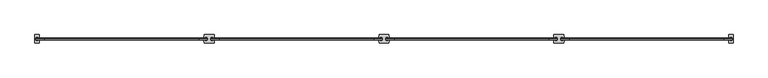
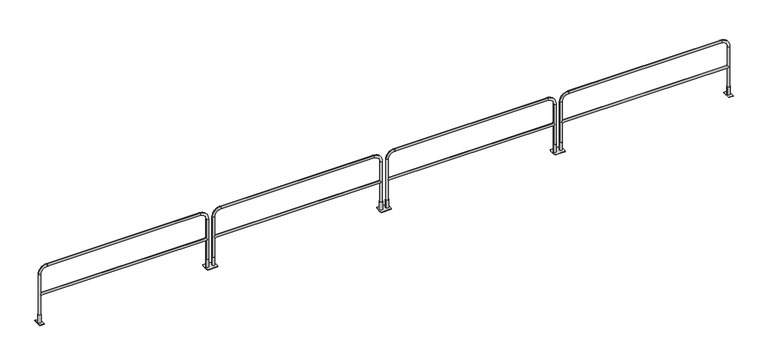
"""IFC4 building model written with IfcOpenShell, lengths in millimetres: railing geometry."""

from ifc_helpers import new_model, si_unit, point, frame, frame_2d, origin, origin_with_axes, place, context, project, spatial, polyline, circle_curve, ellipse_curve, trimmed, segment, composite_curve, outline, extrude, source, transform, mapped, element, save
from ifc_brep_helpers import plane_surface, cylinder_surface, revolved_surface, advanced_brep


def railing_b0f9423a(model_context):
    return source(origin(), model_context, "Body", "SolidModel", [
        extrude(outline(composite_curve([segment(trimmed(circle_curve(frame_2d((67475.572395, 9345.0551937)), 304.8), [point((67770.693726, 9421.2551937))], [point((67770.693726, 9268.8551937))], False, "CARTESIAN"), True, "CONTINUOUS"), segment(polyline([(67770.693726, 9268.8551937), (67592.893726, 9268.8551937)]), True, "CONTINUOUS"), segment(trimmed(circle_curve(frame_2d((67888.015057, 9345.0551937)), 304.8), [point((67592.893726, 9268.8551937))], [point((67592.893726, 9421.2551937))], False, "CARTESIAN"), True, "CONTINUOUS"), segment(polyline([(67592.893726, 9421.2551937), (67770.693726, 9421.2551937)]), True, "CONTINUOUS")], self_intersect=False)), origin_with_axes(), (0.0, 0.0, 1.0), 6.35),
        extrude(outline(composite_curve([segment(trimmed(circle_curve(frame_2d((67735.6752627, 9345.0551937)), 26.9875), [point((67708.6877627, 9345.0551937))], [point((67762.6627627, 9345.0551937))], False, "CARTESIAN"), True, "CONTINUOUS"), segment(trimmed(circle_curve(frame_2d((67735.6752627, 9345.0551937)), 26.9875), [point((67762.6627627, 9345.0551937))], [point((67708.6877627, 9345.0551937))], False, "CARTESIAN"), True, "CONTINUOUS")], self_intersect=False), holes=[composite_curve([segment(trimmed(circle_curve(frame_2d((67735.6752627, 9345.0551937)), 20.6375), [point((67715.0377627, 9345.0551937))], [point((67756.3127627, 9345.0551937))], True, "CARTESIAN"), True, "CONTINUOUS"), segment(trimmed(circle_curve(frame_2d((67735.6752627, 9345.0551937)), 20.6375), [point((67756.3127627, 9345.0551937))], [point((67715.0377627, 9345.0551937))], True, "CARTESIAN"), True, "CONTINUOUS")], self_intersect=False)]), frame((0.0, 0.0, 6.35), z_axis=(0.0, 0.0, 1.0), x_axis=(1.0, 0.0, 0.0)), (0.0, 0.0, 1.0), 146.05),
        extrude(outline(composite_curve([segment(trimmed(circle_curve(frame_2d((67627.9121893, 9345.0551937)), 26.9875), [point((67600.9246893, 9345.0551937))], [point((67654.8996893, 9345.0551937))], False, "CARTESIAN"), True, "CONTINUOUS"), segment(trimmed(circle_curve(frame_2d((67627.9121893, 9345.0551937)), 26.9875), [point((67654.8996893, 9345.0551937))], [point((67600.9246893, 9345.0551937))], False, "CARTESIAN"), True, "CONTINUOUS")], self_intersect=False), holes=[composite_curve([segment(trimmed(circle_curve(frame_2d((67627.9121893, 9345.0551937)), 20.6375), [point((67607.2746893, 9345.0551937))], [point((67648.5496893, 9345.0551937))], True, "CARTESIAN"), True, "CONTINUOUS"), segment(trimmed(circle_curve(frame_2d((67627.9121893, 9345.0551937)), 20.6375), [point((67648.5496893, 9345.0551937))], [point((67607.2746893, 9345.0551937))], True, "CARTESIAN"), True, "CONTINUOUS")], self_intersect=False)]), frame((0.0, 0.0, 6.35), z_axis=(0.0, 0.0, 1.0), x_axis=(1.0, 0.0, 0.0)), (0.0, 0.0, 1.0), 146.05),
        extrude(outline(composite_curve([segment(polyline([(70707.3817994, 9421.2551937), (70885.1817994, 9421.2551937)]), True, "CONTINUOUS"), segment(trimmed(circle_curve(frame_2d((70590.0604685, 9345.0551937)), 304.8), [point((70885.1817994, 9421.2551937))], [point((70885.1817994, 9268.8551937))], False, "CARTESIAN"), True, "CONTINUOUS"), segment(polyline([(70885.1817994, 9268.8551937), (70707.3817994, 9268.8551937)]), True, "CONTINUOUS"), segment(trimmed(circle_curve(frame_2d((71002.5031304, 9345.0551937)), 304.8), [point((70707.3817994, 9268.8551937))], [point((70707.3817994, 9421.2551937))], False, "CARTESIAN"), True, "CONTINUOUS")], self_intersect=False)), origin_with_axes(), (0.0, 0.0, 1.0), 6.35),
        extrude(outline(composite_curve([segment(trimmed(circle_curve(frame_2d((70742.4002627, 9345.0551937)), 26.9875), [point((70769.3877627, 9345.0551937))], [point((70715.4127627, 9345.0551937))], False, "CARTESIAN"), True, "CONTINUOUS"), segment(trimmed(circle_curve(frame_2d((70742.4002627, 9345.0551937)), 26.9875), [point((70715.4127627, 9345.0551937))], [point((70769.3877627, 9345.0551937))], False, "CARTESIAN"), True, "CONTINUOUS")], self_intersect=False), holes=[composite_curve([segment(trimmed(circle_curve(frame_2d((70742.4002627, 9345.0551937)), 20.6375), [point((70763.0377627, 9345.0551937))], [point((70721.7627627, 9345.0551937))], True, "CARTESIAN"), True, "CONTINUOUS"), segment(trimmed(circle_curve(frame_2d((70742.4002627, 9345.0551937)), 20.6375), [point((70721.7627627, 9345.0551937))], [point((70763.0377627, 9345.0551937))], True, "CARTESIAN"), True, "CONTINUOUS")], self_intersect=False)]), frame((0.0, 0.0, 6.35), z_axis=(0.0, 0.0, 1.0), x_axis=(1.0, 0.0, 0.0)), (0.0, 0.0, 1.0), 146.05),
        extrude(outline(composite_curve([segment(trimmed(circle_curve(frame_2d((70850.1633362, 9345.0551937)), 26.9875), [point((70877.1508362, 9345.0551937))], [point((70823.1758362, 9345.0551937))], False, "CARTESIAN"), True, "CONTINUOUS"), segment(trimmed(circle_curve(frame_2d((70850.1633362, 9345.0551937)), 26.9875), [point((70823.1758362, 9345.0551937))], [point((70877.1508362, 9345.0551937))], False, "CARTESIAN"), True, "CONTINUOUS")], self_intersect=False), holes=[composite_curve([segment(trimmed(circle_curve(frame_2d((70850.1633362, 9345.0551937)), 20.6375), [point((70870.8008362, 9345.0551937))], [point((70829.5258362, 9345.0551937))], True, "CARTESIAN"), True, "CONTINUOUS"), segment(trimmed(circle_curve(frame_2d((70850.1633362, 9345.0551937)), 20.6375), [point((70829.5258362, 9345.0551937))], [point((70870.8008362, 9345.0551937))], True, "CARTESIAN"), True, "CONTINUOUS")], self_intersect=False)]), frame((0.0, 0.0, 6.35), z_axis=(0.0, 0.0, 1.0), x_axis=(1.0, 0.0, 0.0)), (0.0, 0.0, 1.0), 146.05),
        advanced_brep(
        [(67756.3127627, 9345.0551937, 554.0375), (67735.6752627, 9324.4176937, 533.4), (67756.3127627, 9345.0551937, 512.7625), (70721.7627627, 9345.0551937, 512.7625), (70742.4002627, 9324.4176937, 533.4), (70721.7627627, 9345.0551937, 554.0375), (70742.4002627, 9365.6926937, 533.4), (67735.6752627, 9365.6926937, 533.4), (67715.0377627, 9345.0551937, 6.35), (67756.3127627, 9345.0551937, 6.35), (67756.3127627, 9345.0551937, 914.4), (67715.0377627, 9345.0551937, 914.4), (67867.4377627, 9345.0551937, 1025.525), (67867.4377627, 9345.0551937, 1066.8), (70610.6377627, 9345.0551937, 1025.525), (70610.6377627, 9345.0551937, 1066.8), (70721.7627627, 9345.0551937, 914.4), (70763.0377627, 9345.0551937, 914.4), (70763.0377627, 9345.0551937, 6.35), (70721.7627627, 9345.0551937, 6.35)],
        [
            (0, 1, ellipse_curve(frame((67735.6752627, 9345.0551937, 533.4), z_axis=(0.7071067811865475, 0.0, -0.7071067811865475), x_axis=(-0.7071067811865476, 0.0, -0.7071067811865474)), 29.1858324, 20.6375)),
            (1, 2, ellipse_curve(frame((67735.6752627, 9345.0551937, 533.4), z_axis=(0.7071067811865475, 0.0, 0.7071067811865475), x_axis=(-0.7071067811865476, 0.0, 0.7071067811865474)), 29.1858324, 20.6375)),
            (2, 3),
            (3, 4, ellipse_curve(frame((70742.4002627, 9345.0551937, 533.4), z_axis=(-0.7071067811865475, 0.0, 0.7071067811865475), x_axis=(-0.7071067811865476, 0.0, -0.7071067811865474)), 29.1858324, 20.6375)),
            (4, 5, ellipse_curve(frame((70742.4002627, 9345.0551937, 533.4), z_axis=(-0.7071067811865475, 0.0, -0.7071067811865475), x_axis=(-0.7071067811865476, 0.0, 0.7071067811865474)), 29.1858324, 20.6375)),
            (5, 0),
            (5, 6, ellipse_curve(frame((70742.4002627, 9345.0551937, 533.4), z_axis=(-0.7071067811865475, 0.0, -0.7071067811865475), x_axis=(-0.7071067811865476, 0.0, 0.7071067811865474)), 29.1858324, 20.6375)),
            (6, 3, ellipse_curve(frame((70742.4002627, 9345.0551937, 533.4), z_axis=(-0.7071067811865475, 0.0, 0.7071067811865475), x_axis=(-0.7071067811865476, 0.0, -0.7071067811865474)), 29.1858324, 20.6375)),
            (2, 7, ellipse_curve(frame((67735.6752627, 9345.0551937, 533.4), z_axis=(0.7071067811865475, 0.0, 0.7071067811865475), x_axis=(-0.7071067811865476, 0.0, 0.7071067811865474)), 29.1858324, 20.6375)),
            (7, 0, ellipse_curve(frame((67735.6752627, 9345.0551937, 533.4), z_axis=(0.7071067811865475, 0.0, -0.7071067811865475), x_axis=(-0.7071067811865476, 0.0, -0.7071067811865474)), 29.1858324, 20.6375)),
            (8, 9, circle_curve(frame((67735.6752627, 9345.0551937, 6.35), z_axis=(0.0, 0.0, -1.0), x_axis=(1.0, 0.0, 0.0)), 20.6375)),
            (9, 8, circle_curve(frame((67735.6752627, 9345.0551937, 6.35), z_axis=(0.0, 0.0, -1.0), x_axis=(1.0, 0.0, 0.0)), 20.6375)),
            (9, 2),
            (0, 10),
            (10, 11, circle_curve(frame((67735.6752627, 9345.0551937, 914.4), z_axis=(0.0, 0.0, -1.0), x_axis=(1.0, 0.0, 0.0)), 20.6375)),
            (11, 8),
            (11, 10, circle_curve(frame((67735.6752627, 9345.0551937, 914.4), z_axis=(0.0, 0.0, -1.0), x_axis=(1.0, 0.0, 0.0)), 20.6375)),
            (10, 12, circle_curve(frame((67867.4377627, 9345.0551937, 914.4), z_axis=(0.0, 1.0, 0.0), x_axis=(-1.0, 0.0, 0.0)), 111.125)),
            (12, 13, circle_curve(frame((67867.4377627, 9345.0551937, 1046.1625), z_axis=(-1.0, 0.0, 0.0), x_axis=(0.0, 0.0, -1.0)), 20.6375)),
            (13, 11, circle_curve(frame((67867.4377627, 9345.0551937, 914.4), z_axis=(0.0, -1.0, 0.0), x_axis=(-1.0, 0.0, 0.0)), 152.4)),
            (13, 12, circle_curve(frame((67867.4377627, 9345.0551937, 1046.1625), z_axis=(-1.0, 0.0, 0.0), x_axis=(0.0, 0.0, -1.0)), 20.6375)),
            (12, 14),
            (14, 15, circle_curve(frame((70610.6377627, 9345.0551937, 1046.1625), z_axis=(-1.0, 0.0, 0.0), x_axis=(0.0, 0.0, -1.0)), 20.6375)),
            (15, 13),
            (15, 14, circle_curve(frame((70610.6377627, 9345.0551937, 1046.1625), z_axis=(-1.0, 0.0, 0.0), x_axis=(0.0, 0.0, -1.0)), 20.6375)),
            (14, 16, circle_curve(frame((70610.6377627, 9345.0551937, 914.4), z_axis=(0.0, 1.0, 0.0), x_axis=(0.0, 0.0, 1.0)), 111.125)),
            (16, 17, circle_curve(frame((70742.4002627, 9345.0551937, 914.4), z_axis=(0.0, 0.0, 1.0), x_axis=(-1.0, 0.0, 0.0)), 20.6375)),
            (17, 15, circle_curve(frame((70610.6377627, 9345.0551937, 914.4), z_axis=(0.0, -1.0, 0.0), x_axis=(0.0, 0.0, 1.0)), 152.4)),
            (17, 16, circle_curve(frame((70742.4002627, 9345.0551937, 914.4), z_axis=(0.0, 0.0, 1.0), x_axis=(-1.0, 0.0, 0.0)), 20.6375)),
            (18, 19, circle_curve(frame((70742.4002627, 9345.0551937, 6.35), z_axis=(0.0, 0.0, -1.0), x_axis=(-1.0, 0.0, 0.0)), 20.6375)),
            (19, 18, circle_curve(frame((70742.4002627, 9345.0551937, 6.35), z_axis=(0.0, 0.0, -1.0), x_axis=(-1.0, 0.0, 0.0)), 20.6375)),
            (16, 5),
            (3, 19),
            (18, 17),
        ],
        [
            cylinder_surface(frame((67735.6752627, 9345.0551937, 533.4), z_axis=(-1.0, 0.0, 0.0), x_axis=(0.0, 0.0, -1.0)), 20.6375),
            plane_surface(frame((67715.0377627, 9345.0551937, 6.35), z_axis=(0.0, 0.0, -1.0), x_axis=(0.0, -1.0, 0.0))),
            cylinder_surface(frame((67735.6752627, 9345.0551937, 6.35), z_axis=(0.0, 0.0, -1.0), x_axis=(1.0, 0.0, 0.0)), 20.6375),
            revolved_surface(trimmed(ellipse_curve(frame((67735.6752627, 9345.0551937, 914.4), z_axis=(0.0, 0.0, 1.0), x_axis=(1.0, 0.0, 0.0)), 20.6375, 20.6375), [point((67715.0377627, 9345.0551937, 914.4))], [point((67756.3127627, 9345.0551937, 914.4))], True, "CARTESIAN"), (67867.4377627, 9345.0551937, 914.4), (0.0, -1.0, 0.0)),
            revolved_surface(trimmed(ellipse_curve(frame((67735.6752627, 9345.0551937, 914.4), z_axis=(0.0, 0.0, 1.0), x_axis=(1.0, 0.0, 0.0)), 20.6375, 20.6375), [point((67756.3127627, 9345.0551937, 914.4))], [point((67715.0377627, 9345.0551937, 914.4))], True, "CARTESIAN"), (67867.4377627, 9345.0551937, 914.4), (0.0, -1.0, 0.0)),
            cylinder_surface(frame((67867.4377627, 9345.0551937, 1046.1625), z_axis=(-1.0, 0.0, 0.0), x_axis=(0.0, 0.0, -1.0)), 20.6375),
            revolved_surface(trimmed(ellipse_curve(frame((70610.6377627, 9345.0551937, 1046.1625), z_axis=(1.0, 0.0, 0.0), x_axis=(0.0, 0.0, -1.0)), 20.6375, 20.6375), [point((70610.6377627, 9345.0551937, 1066.8))], [point((70610.6377627, 9345.0551937, 1025.525))], True, "CARTESIAN"), (70610.6377627, 9345.0551937, 914.4), (0.0, -1.0, 0.0)),
            revolved_surface(trimmed(ellipse_curve(frame((70610.6377627, 9345.0551937, 1046.1625), z_axis=(1.0, 0.0, 0.0), x_axis=(0.0, 0.0, -1.0)), 20.6375, 20.6375), [point((70610.6377627, 9345.0551937, 1025.525))], [point((70610.6377627, 9345.0551937, 1066.8))], True, "CARTESIAN"), (70610.6377627, 9345.0551937, 914.4), (0.0, -1.0, 0.0)),
            plane_surface(frame((70763.0377627, 9345.0551937, 6.35), z_axis=(0.0, 0.0, -1.0), x_axis=(0.0, -1.0, 0.0))),
            cylinder_surface(frame((70742.4002627, 9345.0551937, 914.4), z_axis=(0.0, 0.0, 1.0), x_axis=(-1.0, 0.0, 0.0)), 20.6375),
        ],
        [
            (0, [[1, 2, 3, 4, 5, 6]]),
            (0, [[7, 8, -3, 9, 10, -6]]),
            (1, [[11, 12]]),
            (2, [[13, -2, -1, 14, 15, 16, -12]]),
            (2, [[-16, 17, -14, -10, -9, -13, -11]]),
            (3, [[18, 19, 20, -15]]),
            (4, [[-20, 21, -18, -17]]),
            (5, [[22, 23, 24, -19]]),
            (5, [[-24, 25, -22, -21]]),
            (6, [[26, 27, 28, -23]]),
            (7, [[-28, 29, -26, -25]]),
            (8, [[30, 31]]),
            (9, [[32, -5, -4, 33, -30, 34, -27]]),
            (9, [[-34, -31, -33, -8, -7, -32, -29]]),
        ],
    ),
        extrude(outline(composite_curve([segment(trimmed(circle_curve(frame_2d((64361.0958325, 9345.0551937)), 304.8), [point((64656.2171635, 9421.2551937))], [point((64656.2171635, 9268.8551937))], False, "CARTESIAN"), True, "CONTINUOUS"), segment(polyline([(64656.2171635, 9268.8551937), (64478.4171635, 9268.8551937)]), True, "CONTINUOUS"), segment(trimmed(circle_curve(frame_2d((64773.5384945, 9345.0551937)), 304.8), [point((64478.4171635, 9268.8551937))], [point((64478.4171635, 9421.2551937))], False, "CARTESIAN"), True, "CONTINUOUS"), segment(polyline([(64478.4171635, 9421.2551937), (64656.2171635, 9421.2551937)]), True, "CONTINUOUS")], self_intersect=False)), origin_with_axes(), (0.0, 0.0, 1.0), 6.35),
        extrude(outline(composite_curve([segment(trimmed(circle_curve(frame_2d((64621.1987002, 9345.0551937)), 26.9875), [point((64594.2112002, 9345.0551937))], [point((64648.1862002, 9345.0551937))], False, "CARTESIAN"), True, "CONTINUOUS"), segment(trimmed(circle_curve(frame_2d((64621.1987002, 9345.0551937)), 26.9875), [point((64648.1862002, 9345.0551937))], [point((64594.2112002, 9345.0551937))], False, "CARTESIAN"), True, "CONTINUOUS")], self_intersect=False), holes=[composite_curve([segment(trimmed(circle_curve(frame_2d((64621.1987002, 9345.0551937)), 20.6375), [point((64600.5612002, 9345.0551937))], [point((64641.8362002, 9345.0551937))], True, "CARTESIAN"), True, "CONTINUOUS"), segment(trimmed(circle_curve(frame_2d((64621.1987002, 9345.0551937)), 20.6375), [point((64641.8362002, 9345.0551937))], [point((64600.5612002, 9345.0551937))], True, "CARTESIAN"), True, "CONTINUOUS")], self_intersect=False)]), frame((0.0, 0.0, 6.35), z_axis=(0.0, 0.0, 1.0), x_axis=(1.0, 0.0, 0.0)), (0.0, 0.0, 1.0), 146.05),
        extrude(outline(composite_curve([segment(trimmed(circle_curve(frame_2d((64513.4356268, 9345.0551937)), 26.9875), [point((64486.4481268, 9345.0551937))], [point((64540.4231268, 9345.0551937))], False, "CARTESIAN"), True, "CONTINUOUS"), segment(trimmed(circle_curve(frame_2d((64513.4356268, 9345.0551937)), 26.9875), [point((64540.4231268, 9345.0551937))], [point((64486.4481268, 9345.0551937))], False, "CARTESIAN"), True, "CONTINUOUS")], self_intersect=False), holes=[composite_curve([segment(trimmed(circle_curve(frame_2d((64513.4356268, 9345.0551937)), 20.6375), [point((64492.7981268, 9345.0551937))], [point((64534.0731268, 9345.0551937))], True, "CARTESIAN"), True, "CONTINUOUS"), segment(trimmed(circle_curve(frame_2d((64513.4356268, 9345.0551937)), 20.6375), [point((64534.0731268, 9345.0551937))], [point((64492.7981268, 9345.0551937))], True, "CARTESIAN"), True, "CONTINUOUS")], self_intersect=False)]), frame((0.0, 0.0, 6.35), z_axis=(0.0, 0.0, 1.0), x_axis=(1.0, 0.0, 0.0)), (0.0, 0.0, 1.0), 146.05),
        extrude(outline(composite_curve([segment(polyline([(67592.9052369, 9421.2551937), (67770.7052369, 9421.2551937)]), True, "CONTINUOUS"), segment(trimmed(circle_curve(frame_2d((67475.583906, 9345.0551937)), 304.8), [point((67770.7052369, 9421.2551937))], [point((67770.7052369, 9268.8551937))], False, "CARTESIAN"), True, "CONTINUOUS"), segment(polyline([(67770.7052369, 9268.8551937), (67592.9052369, 9268.8551937)]), True, "CONTINUOUS"), segment(trimmed(circle_curve(frame_2d((67888.0265679, 9345.0551937)), 304.8), [point((67592.9052369, 9268.8551937))], [point((67592.9052369, 9421.2551937))], False, "CARTESIAN"), True, "CONTINUOUS")], self_intersect=False)), origin_with_axes(), (0.0, 0.0, 1.0), 6.35),
        extrude(outline(composite_curve([segment(trimmed(circle_curve(frame_2d((67627.9237002, 9345.0551937)), 26.9875), [point((67654.9112002, 9345.0551937))], [point((67600.9362002, 9345.0551937))], False, "CARTESIAN"), True, "CONTINUOUS"), segment(trimmed(circle_curve(frame_2d((67627.9237002, 9345.0551937)), 26.9875), [point((67600.9362002, 9345.0551937))], [point((67654.9112002, 9345.0551937))], False, "CARTESIAN"), True, "CONTINUOUS")], self_intersect=False), holes=[composite_curve([segment(trimmed(circle_curve(frame_2d((67627.9237002, 9345.0551937)), 20.6375), [point((67648.5612002, 9345.0551937))], [point((67607.2862002, 9345.0551937))], True, "CARTESIAN"), True, "CONTINUOUS"), segment(trimmed(circle_curve(frame_2d((67627.9237002, 9345.0551937)), 20.6375), [point((67607.2862002, 9345.0551937))], [point((67648.5612002, 9345.0551937))], True, "CARTESIAN"), True, "CONTINUOUS")], self_intersect=False)]), frame((0.0, 0.0, 6.35), z_axis=(0.0, 0.0, 1.0), x_axis=(1.0, 0.0, 0.0)), (0.0, 0.0, 1.0), 146.05),
        extrude(outline(composite_curve([segment(trimmed(circle_curve(frame_2d((67735.6867737, 9345.0551937)), 26.9875), [point((67762.6742737, 9345.0551937))], [point((67708.6992737, 9345.0551937))], False, "CARTESIAN"), True, "CONTINUOUS"), segment(trimmed(circle_curve(frame_2d((67735.6867737, 9345.0551937)), 26.9875), [point((67708.6992737, 9345.0551937))], [point((67762.6742737, 9345.0551937))], False, "CARTESIAN"), True, "CONTINUOUS")], self_intersect=False), holes=[composite_curve([segment(trimmed(circle_curve(frame_2d((67735.6867737, 9345.0551937)), 20.6375), [point((67756.3242737, 9345.0551937))], [point((67715.0492737, 9345.0551937))], True, "CARTESIAN"), True, "CONTINUOUS"), segment(trimmed(circle_curve(frame_2d((67735.6867737, 9345.0551937)), 20.6375), [point((67715.0492737, 9345.0551937))], [point((67756.3242737, 9345.0551937))], True, "CARTESIAN"), True, "CONTINUOUS")], self_intersect=False)]), frame((0.0, 0.0, 6.35), z_axis=(0.0, 0.0, 1.0), x_axis=(1.0, 0.0, 0.0)), (0.0, 0.0, 1.0), 146.05),
        advanced_brep(
        [(64641.8362002, 9345.0551937, 554.0375), (64621.1987002, 9324.4176937, 533.4), (64641.8362002, 9345.0551937, 512.7625), (67607.2862002, 9345.0551937, 512.7625), (67627.9237002, 9324.4176937, 533.4), (67607.2862002, 9345.0551937, 554.0375), (67627.9237002, 9365.6926937, 533.4), (64621.1987002, 9365.6926937, 533.4), (64600.5612002, 9345.0551937, 6.35), (64641.8362002, 9345.0551937, 6.35), (64641.8362002, 9345.0551937, 914.4), (64600.5612002, 9345.0551937, 914.4), (64752.9612002, 9345.0551937, 1025.525), (64752.9612002, 9345.0551937, 1066.8), (67496.1612002, 9345.0551937, 1025.525), (67496.1612002, 9345.0551937, 1066.8), (67607.2862002, 9345.0551937, 914.4), (67648.5612002, 9345.0551937, 914.4), (67648.5612002, 9345.0551937, 6.35), (67607.2862002, 9345.0551937, 6.35)],
        [
            (0, 1, ellipse_curve(frame((64621.1987002, 9345.0551937, 533.4), z_axis=(0.7071067811865475, 0.0, -0.7071067811865475), x_axis=(-0.7071067811865476, 0.0, -0.7071067811865474)), 29.1858324, 20.6375)),
            (1, 2, ellipse_curve(frame((64621.1987002, 9345.0551937, 533.4), z_axis=(0.7071067811865475, 0.0, 0.7071067811865475), x_axis=(-0.7071067811865476, 0.0, 0.7071067811865474)), 29.1858324, 20.6375)),
            (2, 3),
            (3, 4, ellipse_curve(frame((67627.9237002, 9345.0551937, 533.4), z_axis=(-0.7071067811865475, 0.0, 0.7071067811865475), x_axis=(-0.7071067811865476, 0.0, -0.7071067811865474)), 29.1858324, 20.6375)),
            (4, 5, ellipse_curve(frame((67627.9237002, 9345.0551937, 533.4), z_axis=(-0.7071067811865475, 0.0, -0.7071067811865475), x_axis=(-0.7071067811865476, 0.0, 0.7071067811865474)), 29.1858324, 20.6375)),
            (5, 0),
            (5, 6, ellipse_curve(frame((67627.9237002, 9345.0551937, 533.4), z_axis=(-0.7071067811865475, 0.0, -0.7071067811865475), x_axis=(-0.7071067811865476, 0.0, 0.7071067811865474)), 29.1858324, 20.6375)),
            (6, 3, ellipse_curve(frame((67627.9237002, 9345.0551937, 533.4), z_axis=(-0.7071067811865475, 0.0, 0.7071067811865475), x_axis=(-0.7071067811865476, 0.0, -0.7071067811865474)), 29.1858324, 20.6375)),
            (2, 7, ellipse_curve(frame((64621.1987002, 9345.0551937, 533.4), z_axis=(0.7071067811865475, 0.0, 0.7071067811865475), x_axis=(-0.7071067811865476, 0.0, 0.7071067811865474)), 29.1858324, 20.6375)),
            (7, 0, ellipse_curve(frame((64621.1987002, 9345.0551937, 533.4), z_axis=(0.7071067811865475, 0.0, -0.7071067811865475), x_axis=(-0.7071067811865476, 0.0, -0.7071067811865474)), 29.1858324, 20.6375)),
            (8, 9, circle_curve(frame((64621.1987002, 9345.0551937, 6.35), z_axis=(0.0, 0.0, -1.0), x_axis=(1.0, 0.0, 0.0)), 20.6375)),
            (9, 8, circle_curve(frame((64621.1987002, 9345.0551937, 6.35), z_axis=(0.0, 0.0, -1.0), x_axis=(1.0, 0.0, 0.0)), 20.6375)),
            (9, 2),
            (0, 10),
            (10, 11, circle_curve(frame((64621.1987002, 9345.0551937, 914.4), z_axis=(0.0, 0.0, -1.0), x_axis=(1.0, 0.0, 0.0)), 20.6375)),
            (11, 8),
            (11, 10, circle_curve(frame((64621.1987002, 9345.0551937, 914.4), z_axis=(0.0, 0.0, -1.0), x_axis=(1.0, 0.0, 0.0)), 20.6375)),
            (10, 12, circle_curve(frame((64752.9612002, 9345.0551937, 914.4), z_axis=(0.0, 1.0, 0.0), x_axis=(-1.0, 0.0, 0.0)), 111.125)),
            (12, 13, circle_curve(frame((64752.9612002, 9345.0551937, 1046.1625), z_axis=(-1.0, 0.0, 0.0), x_axis=(0.0, 0.0, -1.0)), 20.6375)),
            (13, 11, circle_curve(frame((64752.9612002, 9345.0551937, 914.4), z_axis=(0.0, -1.0, 0.0), x_axis=(-1.0, 0.0, 0.0)), 152.4)),
            (13, 12, circle_curve(frame((64752.9612002, 9345.0551937, 1046.1625), z_axis=(-1.0, 0.0, 0.0), x_axis=(0.0, 0.0, -1.0)), 20.6375)),
            (12, 14),
            (14, 15, circle_curve(frame((67496.1612002, 9345.0551937, 1046.1625), z_axis=(-1.0, 0.0, 0.0), x_axis=(0.0, 0.0, -1.0)), 20.6375)),
            (15, 13),
            (15, 14, circle_curve(frame((67496.1612002, 9345.0551937, 1046.1625), z_axis=(-1.0, 0.0, 0.0), x_axis=(0.0, 0.0, -1.0)), 20.6375)),
            (14, 16, circle_curve(frame((67496.1612002, 9345.0551937, 914.4), z_axis=(0.0, 1.0, 0.0), x_axis=(0.0, 0.0, 1.0)), 111.125)),
            (16, 17, circle_curve(frame((67627.9237002, 9345.0551937, 914.4), z_axis=(0.0, 0.0, 1.0), x_axis=(-1.0, 0.0, 0.0)), 20.6375)),
            (17, 15, circle_curve(frame((67496.1612002, 9345.0551937, 914.4), z_axis=(0.0, -1.0, 0.0), x_axis=(0.0, 0.0, 1.0)), 152.4)),
            (17, 16, circle_curve(frame((67627.9237002, 9345.0551937, 914.4), z_axis=(0.0, 0.0, 1.0), x_axis=(-1.0, 0.0, 0.0)), 20.6375)),
            (18, 19, circle_curve(frame((67627.9237002, 9345.0551937, 6.35), z_axis=(0.0, 0.0, -1.0), x_axis=(-1.0, 0.0, 0.0)), 20.6375)),
            (19, 18, circle_curve(frame((67627.9237002, 9345.0551937, 6.35), z_axis=(0.0, 0.0, -1.0), x_axis=(-1.0, 0.0, 0.0)), 20.6375)),
            (16, 5),
            (3, 19),
            (18, 17),
        ],
        [
            cylinder_surface(frame((64621.1987002, 9345.0551937, 533.4), z_axis=(-1.0, 0.0, 0.0), x_axis=(0.0, 0.0, -1.0)), 20.6375),
            plane_surface(frame((64600.5612002, 9345.0551937, 6.35), z_axis=(0.0, 0.0, -1.0), x_axis=(0.0, -1.0, 0.0))),
            cylinder_surface(frame((64621.1987002, 9345.0551937, 6.35), z_axis=(0.0, 0.0, -1.0), x_axis=(1.0, 0.0, 0.0)), 20.6375),
            revolved_surface(trimmed(ellipse_curve(frame((64621.1987002, 9345.0551937, 914.4), z_axis=(0.0, 0.0, 1.0), x_axis=(1.0, 0.0, 0.0)), 20.6375, 20.6375), [point((64600.5612002, 9345.0551937, 914.4))], [point((64641.8362002, 9345.0551937, 914.4))], True, "CARTESIAN"), (64752.9612002, 9345.0551937, 914.4), (0.0, -1.0, 0.0)),
            revolved_surface(trimmed(ellipse_curve(frame((64621.1987002, 9345.0551937, 914.4), z_axis=(0.0, 0.0, 1.0), x_axis=(1.0, 0.0, 0.0)), 20.6375, 20.6375), [point((64641.8362002, 9345.0551937, 914.4))], [point((64600.5612002, 9345.0551937, 914.4))], True, "CARTESIAN"), (64752.9612002, 9345.0551937, 914.4), (0.0, -1.0, 0.0)),
            cylinder_surface(frame((64752.9612002, 9345.0551937, 1046.1625), z_axis=(-1.0, 0.0, 0.0), x_axis=(0.0, 0.0, -1.0)), 20.6375),
            revolved_surface(trimmed(ellipse_curve(frame((67496.1612002, 9345.0551937, 1046.1625), z_axis=(1.0, 0.0, 0.0), x_axis=(0.0, 0.0, -1.0)), 20.6375, 20.6375), [point((67496.1612002, 9345.0551937, 1066.8))], [point((67496.1612002, 9345.0551937, 1025.525))], True, "CARTESIAN"), (67496.1612002, 9345.0551937, 914.4), (0.0, -1.0, 0.0)),
            revolved_surface(trimmed(ellipse_curve(frame((67496.1612002, 9345.0551937, 1046.1625), z_axis=(1.0, 0.0, 0.0), x_axis=(0.0, 0.0, -1.0)), 20.6375, 20.6375), [point((67496.1612002, 9345.0551937, 1025.525))], [point((67496.1612002, 9345.0551937, 1066.8))], True, "CARTESIAN"), (67496.1612002, 9345.0551937, 914.4), (0.0, -1.0, 0.0)),
            plane_surface(frame((67648.5612002, 9345.0551937, 6.35), z_axis=(0.0, 0.0, -1.0), x_axis=(0.0, -1.0, 0.0))),
            cylinder_surface(frame((67627.9237002, 9345.0551937, 914.4), z_axis=(0.0, 0.0, 1.0), x_axis=(-1.0, 0.0, 0.0)), 20.6375),
        ],
        [
            (0, [[1, 2, 3, 4, 5, 6]]),
            (0, [[7, 8, -3, 9, 10, -6]]),
            (1, [[11, 12]]),
            (2, [[13, -2, -1, 14, 15, 16, -12]]),
            (2, [[-16, 17, -14, -10, -9, -13, -11]]),
            (3, [[18, 19, 20, -15]]),
            (4, [[-20, 21, -18, -17]]),
            (5, [[22, 23, 24, -19]]),
            (5, [[-24, 25, -22, -21]]),
            (6, [[26, 27, 28, -23]]),
            (7, [[-28, 29, -26, -25]]),
            (8, [[30, 31]]),
            (9, [[32, -5, -4, 33, -30, 34, -27]]),
            (9, [[-34, -31, -33, -8, -7, -32, -29]]),
        ],
    ),
        extrude(outline(polyline([(73818.7371377, 9421.2551937), (73894.9371377, 9421.2551937), (73894.9371377, 9268.8551937), (73818.7371377, 9268.8551937), (73818.7371377, 9421.2551937)])), origin_with_axes(), (0.0, 0.0, 1.0), 6.35),
        extrude(outline(composite_curve([segment(trimmed(circle_curve(frame_2d((73856.8371377, 9345.0551937)), 26.9875), [point((73883.8246377, 9345.0551937))], [point((73829.8496377, 9345.0551937))], False, "CARTESIAN"), True, "CONTINUOUS"), segment(trimmed(circle_curve(frame_2d((73856.8371377, 9345.0551937)), 26.9875), [point((73829.8496377, 9345.0551937))], [point((73883.8246377, 9345.0551937))], False, "CARTESIAN"), True, "CONTINUOUS")], self_intersect=False), holes=[composite_curve([segment(trimmed(circle_curve(frame_2d((73856.8371377, 9345.0551937)), 20.6375), [point((73877.4746377, 9345.0551937))], [point((73836.1996377, 9345.0551937))], True, "CARTESIAN"), True, "CONTINUOUS"), segment(trimmed(circle_curve(frame_2d((73856.8371377, 9345.0551937)), 20.6375), [point((73836.1996377, 9345.0551937))], [point((73877.4746377, 9345.0551937))], True, "CARTESIAN"), True, "CONTINUOUS")], self_intersect=False)]), frame((0.0, 0.0, 6.35), z_axis=(0.0, 0.0, 1.0), x_axis=(1.0, 0.0, 0.0)), (0.0, 0.0, 1.0), 146.05),
        advanced_brep(
        [(70870.7496377, 9345.0551937, 554.0375), (70850.1121377, 9324.4176937, 533.4), (70870.7496377, 9345.0551937, 512.7625), (73836.1996377, 9345.0551937, 512.7625), (73856.8371377, 9324.4176937, 533.4), (73836.1996377, 9345.0551937, 554.0375), (73856.8371377, 9365.6926937, 533.4), (70850.1121377, 9365.6926937, 533.4), (70829.4746377, 9345.0551937, 6.35), (70870.7496377, 9345.0551937, 6.35), (70870.7496377, 9345.0551937, 914.4), (70829.4746377, 9345.0551937, 914.4), (70981.8746377, 9345.0551937, 1025.525), (70981.8746377, 9345.0551937, 1066.8), (73725.0746377, 9345.0551937, 1025.525), (73725.0746377, 9345.0551937, 1066.8), (73836.1996377, 9345.0551937, 914.4), (73877.4746377, 9345.0551937, 914.4), (73877.4746377, 9345.0551937, 6.35), (73836.1996377, 9345.0551937, 6.35)],
        [
            (0, 1, ellipse_curve(frame((70850.1121377, 9345.0551937, 533.4), z_axis=(0.7071067811865475, 0.0, -0.7071067811865475), x_axis=(-0.7071067811865476, 0.0, -0.7071067811865474)), 29.1858324, 20.6375)),
            (1, 2, ellipse_curve(frame((70850.1121377, 9345.0551937, 533.4), z_axis=(0.7071067811865475, 0.0, 0.7071067811865475), x_axis=(-0.7071067811865476, 0.0, 0.7071067811865474)), 29.1858324, 20.6375)),
            (2, 3),
            (3, 4, ellipse_curve(frame((73856.8371377, 9345.0551937, 533.4), z_axis=(-0.7071067811865475, 0.0, 0.7071067811865475), x_axis=(-0.7071067811865476, 0.0, -0.7071067811865474)), 29.1858324, 20.6375)),
            (4, 5, ellipse_curve(frame((73856.8371377, 9345.0551937, 533.4), z_axis=(-0.7071067811865475, 0.0, -0.7071067811865475), x_axis=(-0.7071067811865476, 0.0, 0.7071067811865474)), 29.1858324, 20.6375)),
            (5, 0),
            (5, 6, ellipse_curve(frame((73856.8371377, 9345.0551937, 533.4), z_axis=(-0.7071067811865475, 0.0, -0.7071067811865475), x_axis=(-0.7071067811865476, 0.0, 0.7071067811865474)), 29.1858324, 20.6375)),
            (6, 3, ellipse_curve(frame((73856.8371377, 9345.0551937, 533.4), z_axis=(-0.7071067811865475, 0.0, 0.7071067811865475), x_axis=(-0.7071067811865476, 0.0, -0.7071067811865474)), 29.1858324, 20.6375)),
            (2, 7, ellipse_curve(frame((70850.1121377, 9345.0551937, 533.4), z_axis=(0.7071067811865475, 0.0, 0.7071067811865475), x_axis=(-0.7071067811865476, 0.0, 0.7071067811865474)), 29.1858324, 20.6375)),
            (7, 0, ellipse_curve(frame((70850.1121377, 9345.0551937, 533.4), z_axis=(0.7071067811865475, 0.0, -0.7071067811865475), x_axis=(-0.7071067811865476, 0.0, -0.7071067811865474)), 29.1858324, 20.6375)),
            (8, 9, circle_curve(frame((70850.1121377, 9345.0551937, 6.35), z_axis=(0.0, 0.0, -1.0), x_axis=(1.0, 0.0, 0.0)), 20.6375)),
            (9, 8, circle_curve(frame((70850.1121377, 9345.0551937, 6.35), z_axis=(0.0, 0.0, -1.0), x_axis=(1.0, 0.0, 0.0)), 20.6375)),
            (9, 2),
            (0, 10),
            (10, 11, circle_curve(frame((70850.1121377, 9345.0551937, 914.4), z_axis=(0.0, 0.0, -1.0), x_axis=(1.0, 0.0, 0.0)), 20.6375)),
            (11, 8),
            (11, 10, circle_curve(frame((70850.1121377, 9345.0551937, 914.4), z_axis=(0.0, 0.0, -1.0), x_axis=(1.0, 0.0, 0.0)), 20.6375)),
            (10, 12, circle_curve(frame((70981.8746377, 9345.0551937, 914.4), z_axis=(0.0, 1.0, 0.0), x_axis=(-1.0, 0.0, 0.0)), 111.125)),
            (12, 13, circle_curve(frame((70981.8746377, 9345.0551937, 1046.1625), z_axis=(-1.0, 0.0, 0.0), x_axis=(0.0, 0.0, -1.0)), 20.6375)),
            (13, 11, circle_curve(frame((70981.8746377, 9345.0551937, 914.4), z_axis=(0.0, -1.0, 0.0), x_axis=(-1.0, 0.0, 0.0)), 152.4)),
            (13, 12, circle_curve(frame((70981.8746377, 9345.0551937, 1046.1625), z_axis=(-1.0, 0.0, 0.0), x_axis=(0.0, 0.0, -1.0)), 20.6375)),
            (12, 14),
            (14, 15, circle_curve(frame((73725.0746377, 9345.0551937, 1046.1625), z_axis=(-1.0, 0.0, 0.0), x_axis=(0.0, 0.0, -1.0)), 20.6375)),
            (15, 13),
            (15, 14, circle_curve(frame((73725.0746377, 9345.0551937, 1046.1625), z_axis=(-1.0, 0.0, 0.0), x_axis=(0.0, 0.0, -1.0)), 20.6375)),
            (14, 16, circle_curve(frame((73725.0746377, 9345.0551937, 914.4), z_axis=(0.0, 1.0, 0.0), x_axis=(0.0, 0.0, 1.0)), 111.125)),
            (16, 17, circle_curve(frame((73856.8371377, 9345.0551937, 914.4), z_axis=(0.0, 0.0, 1.0), x_axis=(-1.0, 0.0, 0.0)), 20.6375)),
            (17, 15, circle_curve(frame((73725.0746377, 9345.0551937, 914.4), z_axis=(0.0, -1.0, 0.0), x_axis=(0.0, 0.0, 1.0)), 152.4)),
            (17, 16, circle_curve(frame((73856.8371377, 9345.0551937, 914.4), z_axis=(0.0, 0.0, 1.0), x_axis=(-1.0, 0.0, 0.0)), 20.6375)),
            (18, 19, circle_curve(frame((73856.8371377, 9345.0551937, 6.35), z_axis=(0.0, 0.0, -1.0), x_axis=(-1.0, 0.0, 0.0)), 20.6375)),
            (19, 18, circle_curve(frame((73856.8371377, 9345.0551937, 6.35), z_axis=(0.0, 0.0, -1.0), x_axis=(-1.0, 0.0, 0.0)), 20.6375)),
            (16, 5),
            (3, 19),
            (18, 17),
        ],
        [
            cylinder_surface(frame((70850.1121377, 9345.0551937, 533.4), z_axis=(-1.0, 0.0, 0.0), x_axis=(0.0, 0.0, -1.0)), 20.6375),
            plane_surface(frame((70829.4746377, 9345.0551937, 6.35), z_axis=(0.0, 0.0, -1.0), x_axis=(0.0, -1.0, 0.0))),
            cylinder_surface(frame((70850.1121377, 9345.0551937, 6.35), z_axis=(0.0, 0.0, -1.0), x_axis=(1.0, 0.0, 0.0)), 20.6375),
            revolved_surface(trimmed(ellipse_curve(frame((70850.1121377, 9345.0551937, 914.4), z_axis=(0.0, 0.0, 1.0), x_axis=(1.0, 0.0, 0.0)), 20.6375, 20.6375), [point((70829.4746377, 9345.0551937, 914.4))], [point((70870.7496377, 9345.0551937, 914.4))], True, "CARTESIAN"), (70981.8746377, 9345.0551937, 914.4), (0.0, -1.0, 0.0)),
            revolved_surface(trimmed(ellipse_curve(frame((70850.1121377, 9345.0551937, 914.4), z_axis=(0.0, 0.0, 1.0), x_axis=(1.0, 0.0, 0.0)), 20.6375, 20.6375), [point((70870.7496377, 9345.0551937, 914.4))], [point((70829.4746377, 9345.0551937, 914.4))], True, "CARTESIAN"), (70981.8746377, 9345.0551937, 914.4), (0.0, -1.0, 0.0)),
            cylinder_surface(frame((70981.8746377, 9345.0551937, 1046.1625), z_axis=(-1.0, 0.0, 0.0), x_axis=(0.0, 0.0, -1.0)), 20.6375),
            revolved_surface(trimmed(ellipse_curve(frame((73725.0746377, 9345.0551937, 1046.1625), z_axis=(1.0, 0.0, 0.0), x_axis=(0.0, 0.0, -1.0)), 20.6375, 20.6375), [point((73725.0746377, 9345.0551937, 1066.8))], [point((73725.0746377, 9345.0551937, 1025.525))], True, "CARTESIAN"), (73725.0746377, 9345.0551937, 914.4), (0.0, -1.0, 0.0)),
            revolved_surface(trimmed(ellipse_curve(frame((73725.0746377, 9345.0551937, 1046.1625), z_axis=(1.0, 0.0, 0.0), x_axis=(0.0, 0.0, -1.0)), 20.6375, 20.6375), [point((73725.0746377, 9345.0551937, 1025.525))], [point((73725.0746377, 9345.0551937, 1066.8))], True, "CARTESIAN"), (73725.0746377, 9345.0551937, 914.4), (0.0, -1.0, 0.0)),
            plane_surface(frame((73877.4746377, 9345.0551937, 6.35), z_axis=(0.0, 0.0, -1.0), x_axis=(0.0, -1.0, 0.0))),
            cylinder_surface(frame((73856.8371377, 9345.0551937, 914.4), z_axis=(0.0, 0.0, 1.0), x_axis=(-1.0, 0.0, 0.0)), 20.6375),
        ],
        [
            (0, [[1, 2, 3, 4, 5, 6]]),
            (0, [[7, 8, -3, 9, 10, -6]]),
            (1, [[11, 12]]),
            (2, [[13, -2, -1, 14, 15, 16, -12]]),
            (2, [[-16, 17, -14, -10, -9, -13, -11]]),
            (3, [[18, 19, 20, -15]]),
            (4, [[-20, 21, -18, -17]]),
            (5, [[22, 23, 24, -19]]),
            (5, [[-24, 25, -22, -21]]),
            (6, [[26, 27, 28, -23]]),
            (7, [[-28, 29, -26, -25]]),
            (8, [[30, 31]]),
            (9, [[32, -5, -4, 33, -30, 34, -27]]),
            (9, [[-34, -31, -33, -8, -7, -32, -29]]),
        ],
    ),
        extrude(outline(polyline([(61468.6221377, 9421.2551937), (61544.8221377, 9421.2551937), (61544.8221377, 9268.8551937), (61468.6221377, 9268.8551937), (61468.6221377, 9421.2551937)])), origin_with_axes(), (0.0, 0.0, 1.0), 6.35),
        extrude(outline(composite_curve([segment(trimmed(circle_curve(frame_2d((61506.7221377, 9345.0551937)), 26.9875), [point((61533.7096377, 9345.0551937))], [point((61479.7346377, 9345.0551937))], False, "CARTESIAN"), True, "CONTINUOUS"), segment(trimmed(circle_curve(frame_2d((61506.7221377, 9345.0551937)), 26.9875), [point((61479.7346377, 9345.0551937))], [point((61533.7096377, 9345.0551937))], False, "CARTESIAN"), True, "CONTINUOUS")], self_intersect=False), holes=[composite_curve([segment(trimmed(circle_curve(frame_2d((61506.7221377, 9345.0551937)), 20.6375), [point((61527.3596377, 9345.0551937))], [point((61486.0846377, 9345.0551937))], True, "CARTESIAN"), True, "CONTINUOUS"), segment(trimmed(circle_curve(frame_2d((61506.7221377, 9345.0551937)), 20.6375), [point((61486.0846377, 9345.0551937))], [point((61527.3596377, 9345.0551937))], True, "CARTESIAN"), True, "CONTINUOUS")], self_intersect=False)]), frame((0.0, 0.0, 6.35), z_axis=(0.0, 0.0, 1.0), x_axis=(1.0, 0.0, 0.0)), (0.0, 0.0, 1.0), 146.05),
        advanced_brep(
        [(61527.3596377, 9345.0551937, 554.0375), (61506.7221377, 9324.4176937, 533.4), (61527.3596377, 9345.0551937, 512.7625), (64492.8096377, 9345.0551937, 512.7625), (64513.4471377, 9324.4176937, 533.4), (64492.8096377, 9345.0551937, 554.0375), (64513.4471377, 9365.6926937, 533.4), (61506.7221377, 9365.6926937, 533.4), (61486.0846377, 9345.0551937, 6.35), (61527.3596377, 9345.0551937, 6.35), (61527.3596377, 9345.0551937, 914.4), (61486.0846377, 9345.0551937, 914.4), (61638.4846377, 9345.0551937, 1025.525), (61638.4846377, 9345.0551937, 1066.8), (64381.6846377, 9345.0551937, 1025.525), (64381.6846377, 9345.0551937, 1066.8), (64492.8096377, 9345.0551937, 914.4), (64534.0846377, 9345.0551937, 914.4), (64534.0846377, 9345.0551937, 6.35), (64492.8096377, 9345.0551937, 6.35)],
        [
            (0, 1, ellipse_curve(frame((61506.7221377, 9345.0551937, 533.4), z_axis=(0.7071067811865475, 0.0, -0.7071067811865475), x_axis=(-0.7071067811865476, 0.0, -0.7071067811865474)), 29.1858324, 20.6375)),
            (1, 2, ellipse_curve(frame((61506.7221377, 9345.0551937, 533.4), z_axis=(0.7071067811865475, 0.0, 0.7071067811865475), x_axis=(-0.7071067811865476, 0.0, 0.7071067811865474)), 29.1858324, 20.6375)),
            (2, 3),
            (3, 4, ellipse_curve(frame((64513.4471377, 9345.0551937, 533.4), z_axis=(-0.7071067811865475, 0.0, 0.7071067811865475), x_axis=(-0.7071067811865476, 0.0, -0.7071067811865474)), 29.1858324, 20.6375)),
            (4, 5, ellipse_curve(frame((64513.4471377, 9345.0551937, 533.4), z_axis=(-0.7071067811865475, 0.0, -0.7071067811865475), x_axis=(-0.7071067811865476, 0.0, 0.7071067811865474)), 29.1858324, 20.6375)),
            (5, 0),
            (5, 6, ellipse_curve(frame((64513.4471377, 9345.0551937, 533.4), z_axis=(-0.7071067811865475, 0.0, -0.7071067811865475), x_axis=(-0.7071067811865476, 0.0, 0.7071067811865474)), 29.1858324, 20.6375)),
            (6, 3, ellipse_curve(frame((64513.4471377, 9345.0551937, 533.4), z_axis=(-0.7071067811865475, 0.0, 0.7071067811865475), x_axis=(-0.7071067811865476, 0.0, -0.7071067811865474)), 29.1858324, 20.6375)),
            (2, 7, ellipse_curve(frame((61506.7221377, 9345.0551937, 533.4), z_axis=(0.7071067811865475, 0.0, 0.7071067811865475), x_axis=(-0.7071067811865476, 0.0, 0.7071067811865474)), 29.1858324, 20.6375)),
            (7, 0, ellipse_curve(frame((61506.7221377, 9345.0551937, 533.4), z_axis=(0.7071067811865475, 0.0, -0.7071067811865475), x_axis=(-0.7071067811865476, 0.0, -0.7071067811865474)), 29.1858324, 20.6375)),
            (8, 9, circle_curve(frame((61506.7221377, 9345.0551937, 6.35), z_axis=(0.0, 0.0, -1.0), x_axis=(1.0, 0.0, 0.0)), 20.6375)),
            (9, 8, circle_curve(frame((61506.7221377, 9345.0551937, 6.35), z_axis=(0.0, 0.0, -1.0), x_axis=(1.0, 0.0, 0.0)), 20.6375)),
            (9, 2),
            (0, 10),
            (10, 11, circle_curve(frame((61506.7221377, 9345.0551937, 914.4), z_axis=(0.0, 0.0, -1.0), x_axis=(1.0, 0.0, 0.0)), 20.6375)),
            (11, 8),
            (11, 10, circle_curve(frame((61506.7221377, 9345.0551937, 914.4), z_axis=(0.0, 0.0, -1.0), x_axis=(1.0, 0.0, 0.0)), 20.6375)),
            (10, 12, circle_curve(frame((61638.4846377, 9345.0551937, 914.4), z_axis=(0.0, 1.0, 0.0), x_axis=(-1.0, 0.0, 0.0)), 111.125)),
            (12, 13, circle_curve(frame((61638.4846377, 9345.0551937, 1046.1625), z_axis=(-1.0, 0.0, 0.0), x_axis=(0.0, 0.0, -1.0)), 20.6375)),
            (13, 11, circle_curve(frame((61638.4846377, 9345.0551937, 914.4), z_axis=(0.0, -1.0, 0.0), x_axis=(-1.0, 0.0, 0.0)), 152.4)),
            (13, 12, circle_curve(frame((61638.4846377, 9345.0551937, 1046.1625), z_axis=(-1.0, 0.0, 0.0), x_axis=(0.0, 0.0, -1.0)), 20.6375)),
            (12, 14),
            (14, 15, circle_curve(frame((64381.6846377, 9345.0551937, 1046.1625), z_axis=(-1.0, 0.0, 0.0), x_axis=(0.0, 0.0, -1.0)), 20.6375)),
            (15, 13),
            (15, 14, circle_curve(frame((64381.6846377, 9345.0551937, 1046.1625), z_axis=(-1.0, 0.0, 0.0), x_axis=(0.0, 0.0, -1.0)), 20.6375)),
            (14, 16, circle_curve(frame((64381.6846377, 9345.0551937, 914.4), z_axis=(0.0, 1.0, 0.0), x_axis=(0.0, 0.0, 1.0)), 111.125)),
            (16, 17, circle_curve(frame((64513.4471377, 9345.0551937, 914.4), z_axis=(0.0, 0.0, 1.0), x_axis=(-1.0, 0.0, 0.0)), 20.6375)),
            (17, 15, circle_curve(frame((64381.6846377, 9345.0551937, 914.4), z_axis=(0.0, -1.0, 0.0), x_axis=(0.0, 0.0, 1.0)), 152.4)),
            (17, 16, circle_curve(frame((64513.4471377, 9345.0551937, 914.4), z_axis=(0.0, 0.0, 1.0), x_axis=(-1.0, 0.0, 0.0)), 20.6375)),
            (18, 19, circle_curve(frame((64513.4471377, 9345.0551937, 6.35), z_axis=(0.0, 0.0, -1.0), x_axis=(-1.0, 0.0, 0.0)), 20.6375)),
            (19, 18, circle_curve(frame((64513.4471377, 9345.0551937, 6.35), z_axis=(0.0, 0.0, -1.0), x_axis=(-1.0, 0.0, 0.0)), 20.6375)),
            (16, 5),
            (3, 19),
            (18, 17),
        ],
        [
            cylinder_surface(frame((61506.7221377, 9345.0551937, 533.4), z_axis=(-1.0, 0.0, 0.0), x_axis=(0.0, 0.0, -1.0)), 20.6375),
            plane_surface(frame((61486.0846377, 9345.0551937, 6.35), z_axis=(0.0, 0.0, -1.0), x_axis=(0.0, -1.0, 0.0))),
            cylinder_surface(frame((61506.7221377, 9345.0551937, 6.35), z_axis=(0.0, 0.0, -1.0), x_axis=(1.0, 0.0, 0.0)), 20.6375),
            revolved_surface(trimmed(ellipse_curve(frame((61506.7221377, 9345.0551937, 914.4), z_axis=(0.0, 0.0, 1.0), x_axis=(1.0, 0.0, 0.0)), 20.6375, 20.6375), [point((61486.0846377, 9345.0551937, 914.4))], [point((61527.3596377, 9345.0551937, 914.4))], True, "CARTESIAN"), (61638.4846377, 9345.0551937, 914.4), (0.0, -1.0, 0.0)),
            revolved_surface(trimmed(ellipse_curve(frame((61506.7221377, 9345.0551937, 914.4), z_axis=(0.0, 0.0, 1.0), x_axis=(1.0, 0.0, 0.0)), 20.6375, 20.6375), [point((61527.3596377, 9345.0551937, 914.4))], [point((61486.0846377, 9345.0551937, 914.4))], True, "CARTESIAN"), (61638.4846377, 9345.0551937, 914.4), (0.0, -1.0, 0.0)),
            cylinder_surface(frame((61638.4846377, 9345.0551937, 1046.1625), z_axis=(-1.0, 0.0, 0.0), x_axis=(0.0, 0.0, -1.0)), 20.6375),
            revolved_surface(trimmed(ellipse_curve(frame((64381.6846377, 9345.0551937, 1046.1625), z_axis=(1.0, 0.0, 0.0), x_axis=(0.0, 0.0, -1.0)), 20.6375, 20.6375), [point((64381.6846377, 9345.0551937, 1066.8))], [point((64381.6846377, 9345.0551937, 1025.525))], True, "CARTESIAN"), (64381.6846377, 9345.0551937, 914.4), (0.0, -1.0, 0.0)),
            revolved_surface(trimmed(ellipse_curve(frame((64381.6846377, 9345.0551937, 1046.1625), z_axis=(1.0, 0.0, 0.0), x_axis=(0.0, 0.0, -1.0)), 20.6375, 20.6375), [point((64381.6846377, 9345.0551937, 1025.525))], [point((64381.6846377, 9345.0551937, 1066.8))], True, "CARTESIAN"), (64381.6846377, 9345.0551937, 914.4), (0.0, -1.0, 0.0)),
            plane_surface(frame((64534.0846377, 9345.0551937, 6.35), z_axis=(0.0, 0.0, -1.0), x_axis=(0.0, -1.0, 0.0))),
            cylinder_surface(frame((64513.4471377, 9345.0551937, 914.4), z_axis=(0.0, 0.0, 1.0), x_axis=(-1.0, 0.0, 0.0)), 20.6375),
        ],
        [
            (0, [[1, 2, 3, 4, 5, 6]]),
            (0, [[7, 8, -3, 9, 10, -6]]),
            (1, [[11, 12]]),
            (2, [[13, -2, -1, 14, 15, 16, -12]]),
            (2, [[-16, 17, -14, -10, -9, -13, -11]]),
            (3, [[18, 19, 20, -15]]),
            (4, [[-20, 21, -18, -17]]),
            (5, [[22, 23, 24, -19]]),
            (5, [[-24, 25, -22, -21]]),
            (6, [[26, 27, 28, -23]]),
            (7, [[-28, 29, -26, -25]]),
            (8, [[30, 31]]),
            (9, [[32, -5, -4, 33, -30, 34, -27]]),
            (9, [[-34, -31, -33, -8, -7, -32, -29]]),
        ],
    ),
    ])


if __name__ == "__main__":
    model = new_model("IFC4")
    model_context = context("Model", 3, world=origin())
    ifc_project = project(units=[si_unit("LENGTHUNIT", "METRE", prefix="MILLI")], contexts=[model_context])
    site = spatial("IfcSite", under=ifc_project)
    building = spatial("IfcBuilding", under=site)
    placement = place(None, origin())
    railing_shape = railing_b0f9423a(model_context)
    element("IfcRailing", 1, at=placement, inside=building, context=model_context, shape_type="MappedRepresentation", body=[
        mapped(railing_shape, transform((0.0, 0.0, 0.0), x_axis=(1.0, 0.0, 0.0), y_axis=(0.0, 1.0, 0.0), z_axis=(0.0, 0.0, 1.0))),
    ])
    save(model, "model.ifc")
